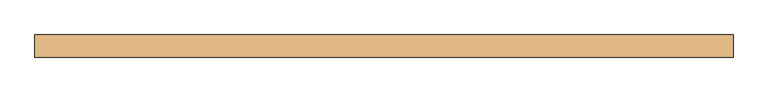
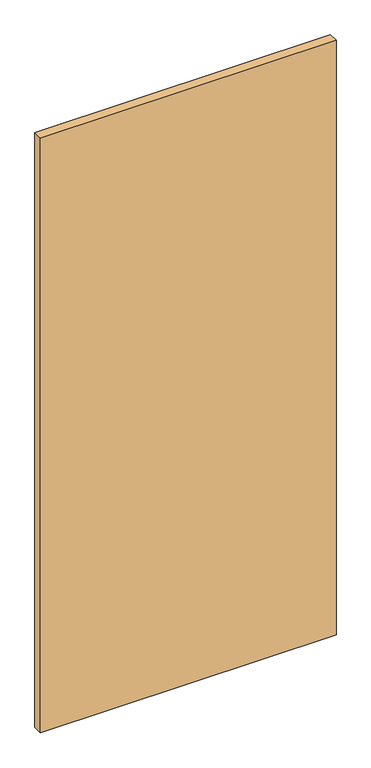
"""IFC4 building model written with IfcOpenShell, lengths in millimetres: door geometry."""

from ifc_helpers import new_model, si_unit, frame, origin, place, context, project, spatial, polyline, outline, extrude, source, transform, mapped, element, save


def door_9a68edc5(model_context):
    return source(origin(), model_context, "Body", "SweptSolid", [
        extrude(outline(polyline([(619.4980726, -20.0), (-619.4980726, -20.0), (-619.4980726, 20.0), (619.4980726, 20.0), (619.4980726, -20.0)])), frame((0.0, 0.0, 10.0), z_axis=(0.0, 0.0, 1.0), x_axis=(1.0, 0.0, 0.0)), (0.0, 0.0, 1.0), 2636.0),
    ])


if __name__ == "__main__":
    model = new_model("IFC4")
    model_context = context("Model", 3, world=origin())
    ifc_project = project(units=[si_unit("LENGTHUNIT", "METRE", prefix="MILLI")], contexts=[model_context])
    site = spatial("IfcSite", under=ifc_project)
    building = spatial("IfcBuilding", under=site)
    placement = place(None, origin())
    door_shape = door_9a68edc5(model_context)
    element("IfcDoor", 1, at=placement, inside=building, context=model_context, shape_type="MappedRepresentation", body=[
        mapped(door_shape, transform((0.0, 0.0, 0.0), x_axis=(1.0, 0.0, 0.0), y_axis=(0.0, 1.0, 0.0), z_axis=(0.0, 0.0, 1.0))),
    ])
    save(model, "model.ifc")
